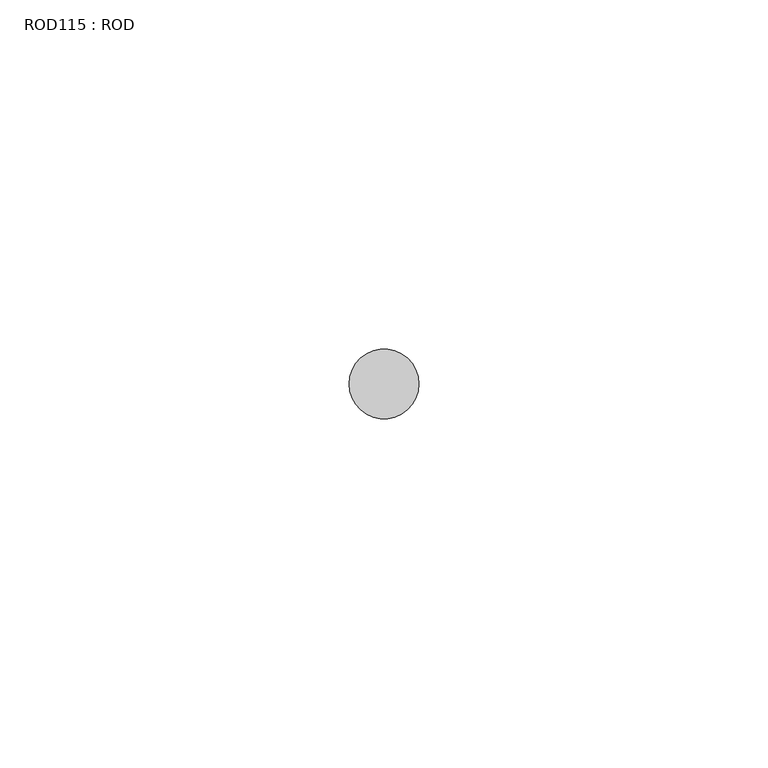
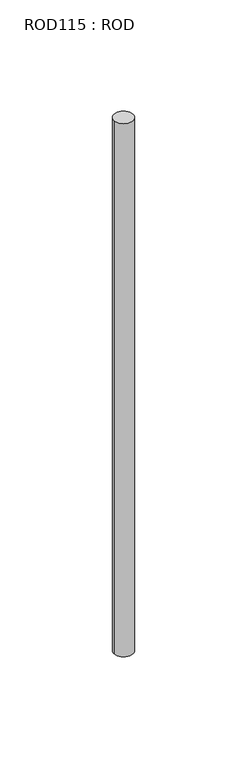
"""IFC4 building model written with IfcOpenShell, lengths in millimetres: proxy geometry, ROD115 : ROD."""

from ifc_helpers import new_model, si_unit, point, frame, frame_2d, origin, place, context, project, spatial, circle_curve, trimmed, segment, composite_curve, outline, extrude, source, transform, mapped, element, save


def rod115_rod_937e9e46(model_context):
    return source(origin(), model_context, "Body", "SweptSolid", [
        extrude(outline(composite_curve([segment(trimmed(circle_curve(frame_2d((8099.7673324, -10268.1048728)), 5.0), [point((8094.7673324, -10268.1048728))], [point((8104.7673324, -10268.1048728))], False, "CARTESIAN"), True, "CONTINUOUS"), segment(trimmed(circle_curve(frame_2d((8099.7673324, -10268.1048728)), 5.0), [point((8104.7673324, -10268.1048728))], [point((8094.7673324, -10268.1048728))], False, "CARTESIAN"), True, "CONTINUOUS")], self_intersect=False)), frame((0.0, 0.0, -108.6608845), z_axis=(0.0, 0.0, 1.0), x_axis=(1.0, 0.0, 0.0)), (0.0, 0.0, 1.0), 298.9028972),
    ])


if __name__ == "__main__":
    model = new_model("IFC4")
    model_context = context("Model", 3, world=origin())
    ifc_project = project(units=[si_unit("LENGTHUNIT", "METRE", prefix="MILLI")], contexts=[model_context])
    site = spatial("IfcSite", under=ifc_project)
    building = spatial("IfcBuilding", under=site)
    placement = place(None, origin())
    rod115_rod_shape = rod115_rod_937e9e46(model_context)
    element("IfcBuildingElementProxy", 1, Name="ROD115 : ROD", ObjectType="ROD115 : ROD", at=placement, inside=building, context=model_context, shape_type="MappedRepresentation", body=[
        mapped(rod115_rod_shape, transform((0.0, 0.0, 0.0), x_axis=(1.0, 0.0, 0.0), y_axis=(0.0, 1.0, 0.0), z_axis=(0.0, 0.0, 1.0))),
    ])
    save(model, "model.ifc")
